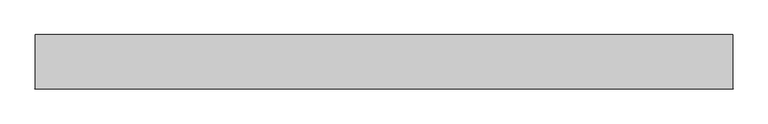
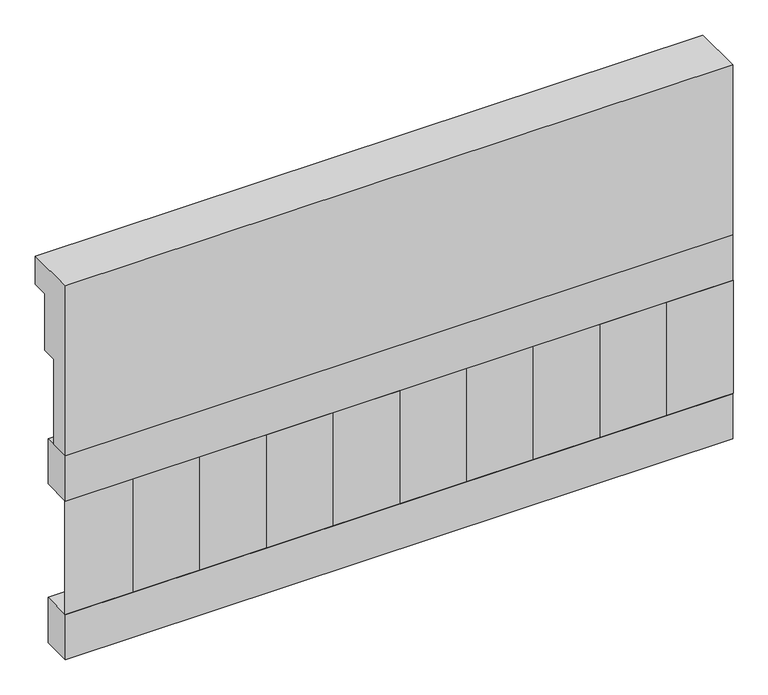
"""IFC4 building model written with IfcOpenShell, lengths in millimetres: railing geometry."""

from ifc_helpers import new_model, si_unit, frame, origin, place, context, project, spatial, polyline, outline, extrude, source, transform, mapped, element, save


def railing_f1aa1fa2(model_context):
    return source(origin(), model_context, "Body", "SweptSolid", [
        extrude(outline(polyline([(903.1079487, 25100.0), (1033.1079487, 25100.0), (1033.1079487, 25025.0), (993.1079487, 25025.0), (993.1079487, 24875.0), (953.1079487, 24875.0), (953.1079487, 24650.0), (903.1079487, 24650.0), (903.1079487, 25100.0)])), frame((-15749.9887159, 0.0, 0.0), z_axis=(1.0, 0.0, 0.0), x_axis=(0.0, 1.0, 0.0)), (0.0, 0.0, 1.0), 1670.0),
        extrude(outline(polyline([(-14079.9887159, 978.1079487), (-14079.9887159, 903.1079487), (-15749.9887159, 903.1079487), (-15749.9887159, 978.1079487), (-14079.9887159, 978.1079487)])), frame((0.0, 0.0, 24530.0), z_axis=(0.0, 0.0, 1.0), x_axis=(1.0, 0.0, 0.0)), (0.0, 0.0, 1.0), 120.0),
        extrude(outline(polyline([(-14079.9887159, 978.1079487), (-14079.9887159, 903.1079487), (-15749.9887159, 903.1079487), (-15749.9887159, 978.1079487), (-14079.9887159, 978.1079487)])), frame((0.0, 0.0, 24110.0), z_axis=(0.0, 0.0, 1.0), x_axis=(1.0, 0.0, 0.0)), (0.0, 0.0, 1.0), 120.0),
        extrude(outline(polyline([(-15666.4887159, 987.9607624), (-15581.6359022, 903.1079487), (-15751.3415296, 903.1079487), (-15666.4887159, 987.9607624)])), frame((0.0, 0.0, 24230.0), z_axis=(0.0, 0.0, 1.0), x_axis=(1.0, 0.0, 0.0)), (0.0, 0.0, 1.0), 300.0),
        extrude(outline(polyline([(-15499.4887159, 987.9607624), (-15414.6359022, 903.1079487), (-15584.3415296, 903.1079487), (-15499.4887159, 987.9607624)])), frame((0.0, 0.0, 24230.0), z_axis=(0.0, 0.0, 1.0), x_axis=(1.0, 0.0, 0.0)), (0.0, 0.0, 1.0), 300.0),
        extrude(outline(polyline([(-15332.4887159, 987.9607624), (-15247.6359022, 903.1079487), (-15417.3415296, 903.1079487), (-15332.4887159, 987.9607624)])), frame((0.0, 0.0, 24230.0), z_axis=(0.0, 0.0, 1.0), x_axis=(1.0, 0.0, 0.0)), (0.0, 0.0, 1.0), 300.0),
        extrude(outline(polyline([(-15165.4887159, 987.9607624), (-15080.6359022, 903.1079487), (-15250.3415296, 903.1079487), (-15165.4887159, 987.9607624)])), frame((0.0, 0.0, 24230.0), z_axis=(0.0, 0.0, 1.0), x_axis=(1.0, 0.0, 0.0)), (0.0, 0.0, 1.0), 300.0),
        extrude(outline(polyline([(-14998.4887159, 987.9607624), (-14913.6359022, 903.1079487), (-15083.3415296, 903.1079487), (-14998.4887159, 987.9607624)])), frame((0.0, 0.0, 24230.0), z_axis=(0.0, 0.0, 1.0), x_axis=(1.0, 0.0, 0.0)), (0.0, 0.0, 1.0), 300.0),
        extrude(outline(polyline([(-14831.4887159, 987.9607624), (-14746.6359022, 903.1079487), (-14916.3415296, 903.1079487), (-14831.4887159, 987.9607624)])), frame((0.0, 0.0, 24230.0), z_axis=(0.0, 0.0, 1.0), x_axis=(1.0, 0.0, 0.0)), (0.0, 0.0, 1.0), 300.0),
        extrude(outline(polyline([(-14664.4887159, 987.9607624), (-14579.6359022, 903.1079487), (-14749.3415296, 903.1079487), (-14664.4887159, 987.9607624)])), frame((0.0, 0.0, 24230.0), z_axis=(0.0, 0.0, 1.0), x_axis=(1.0, 0.0, 0.0)), (0.0, 0.0, 1.0), 300.0),
        extrude(outline(polyline([(-14497.4887159, 987.9607624), (-14412.6359022, 903.1079487), (-14582.3415296, 903.1079487), (-14497.4887159, 987.9607624)])), frame((0.0, 0.0, 24230.0), z_axis=(0.0, 0.0, 1.0), x_axis=(1.0, 0.0, 0.0)), (0.0, 0.0, 1.0), 300.0),
        extrude(outline(polyline([(-14330.4887159, 987.9607624), (-14245.6359022, 903.1079487), (-14415.3415296, 903.1079487), (-14330.4887159, 987.9607624)])), frame((0.0, 0.0, 24230.0), z_axis=(0.0, 0.0, 1.0), x_axis=(1.0, 0.0, 0.0)), (0.0, 0.0, 1.0), 300.0),
        extrude(outline(polyline([(-14163.4887159, 987.9607624), (-14078.6359022, 903.1079487), (-14248.3415296, 903.1079487), (-14163.4887159, 987.9607624)])), frame((0.0, 0.0, 24230.0), z_axis=(0.0, 0.0, 1.0), x_axis=(1.0, 0.0, 0.0)), (0.0, 0.0, 1.0), 300.0),
    ])


if __name__ == "__main__":
    model = new_model("IFC4")
    model_context = context("Model", 3, world=origin())
    ifc_project = project(units=[si_unit("LENGTHUNIT", "METRE", prefix="MILLI")], contexts=[model_context])
    site = spatial("IfcSite", under=ifc_project)
    building = spatial("IfcBuilding", under=site)
    placement = place(None, origin())
    railing_shape = railing_f1aa1fa2(model_context)
    element("IfcRailing", 1, at=placement, inside=building, context=model_context, shape_type="MappedRepresentation", body=[
        mapped(railing_shape, transform((0.0, 0.0, 0.0), x_axis=(1.0, 0.0, 0.0), y_axis=(0.0, 1.0, 0.0), z_axis=(0.0, 0.0, 1.0))),
    ])
    save(model, "model.ifc")
